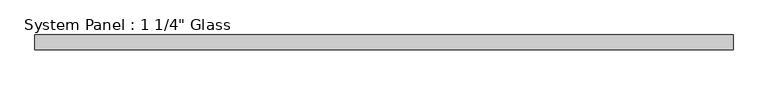
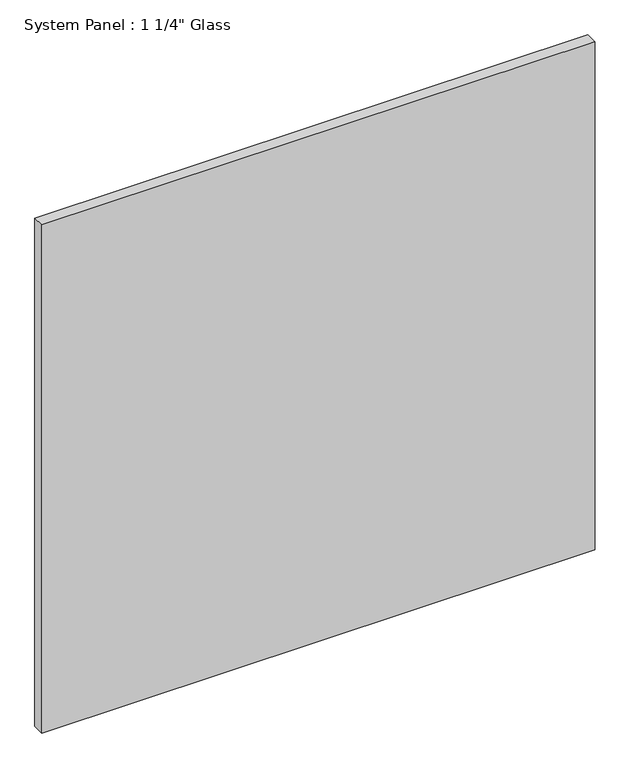
"""IFC4 building model written with IfcOpenShell, lengths in millimetres: plate geometry."""

from ifc_helpers import new_model, si_unit, origin, origin_with_axes, place, context, project, spatial, polyline, outline, extrude, source, transform, mapped, element, save


def plate_ebbb849b(model_context):
    return source(origin(), model_context, "Body", "SweptSolid", [
        extrude(outline(polyline([(746.11865, -40.48125), (-746.11865, -40.48125), (-746.11865, -8.73125), (746.11865, -8.73125), (746.11865, -40.48125)])), origin_with_axes(), (0.0, 0.0, 1.0), 1448.2280973),
    ])


if __name__ == "__main__":
    model = new_model("IFC4")
    model_context = context("Model", 3, world=origin())
    ifc_project = project(units=[si_unit("LENGTHUNIT", "METRE", prefix="MILLI")], contexts=[model_context])
    site = spatial("IfcSite", under=ifc_project)
    building = spatial("IfcBuilding", under=site)
    placement = place(None, origin())
    plate_shape = plate_ebbb849b(model_context)
    element("IfcPlate", 1, ObjectType="System Panel : 1 1/4\" Glass", at=placement, inside=building, context=model_context, shape_type="MappedRepresentation", body=[
        mapped(plate_shape, transform((0.0, 0.0, 0.0), x_axis=(1.0, 0.0, 0.0), y_axis=(0.0, 1.0, 0.0), z_axis=(0.0, 0.0, 1.0))),
    ])
    save(model, "model.ifc")
